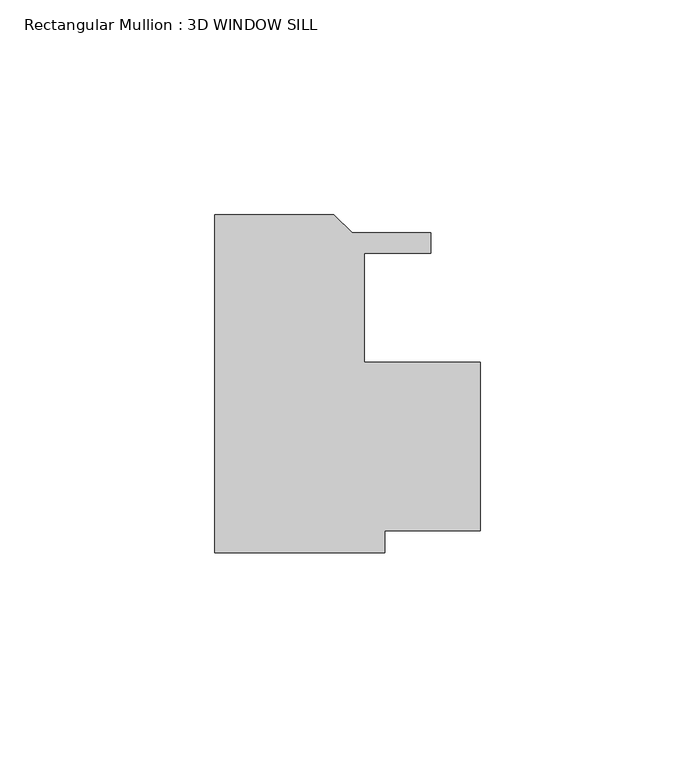
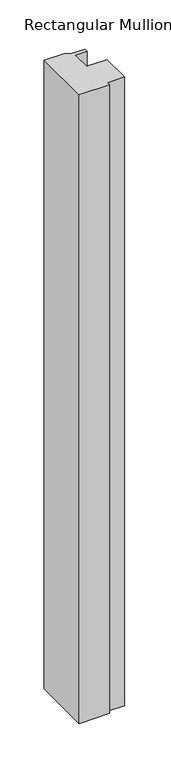
"""IFC4 building model written with IfcOpenShell, lengths in millimetres: member geometry, Rectangular Mullion : 3D WINDOW SILL."""

from ifc_helpers import new_model, si_unit, frame, origin, place, context, project, spatial, polyline, outline, extrude, source, transform, mapped, element, save


def rectangular_mullion_3d_window_sill_b9e7cf59(model_context):
    return source(origin(), model_context, "Body", "SweptSolid", [
        extrude(outline(polyline([(0.0, -56.6383835), (0.0, 22.1777958), (27.782386, 22.1777958), (32.049586, 17.9105958), (50.4320938, 17.9105958), (50.4320938, 13.2115956), (34.925, 13.2115956), (34.925, -12.1884042), (61.9184441, -12.1884042), (61.9184441, -51.5584042), (39.6934442, -51.5584042), (39.6934442, -56.6383835), (0.0, -56.6383835)])), frame((0.0, 0.0, -864.0942008), z_axis=(0.0, 0.0, 1.0), x_axis=(1.0, 0.0, 0.0)), (0.0, 0.0, 1.0), 864.0942008),
    ])


if __name__ == "__main__":
    model = new_model("IFC4")
    model_context = context("Model", 3, world=origin())
    ifc_project = project(units=[si_unit("LENGTHUNIT", "METRE", prefix="MILLI")], contexts=[model_context])
    site = spatial("IfcSite", under=ifc_project)
    building = spatial("IfcBuilding", under=site)
    placement = place(None, origin())
    rectangular_mullion_3d_window_sill_shape = rectangular_mullion_3d_window_sill_b9e7cf59(model_context)
    element("IfcMember", 1, ObjectType="Rectangular Mullion : 3D WINDOW SILL", at=placement, inside=building, context=model_context, shape_type="MappedRepresentation", body=[
        mapped(rectangular_mullion_3d_window_sill_shape, transform((0.0, 0.0, 0.0), x_axis=(1.0, 0.0, 0.0), y_axis=(0.0, 1.0, 0.0), z_axis=(0.0, 0.0, 1.0))),
    ])
    save(model, "model.ifc")
